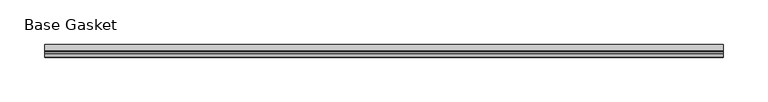
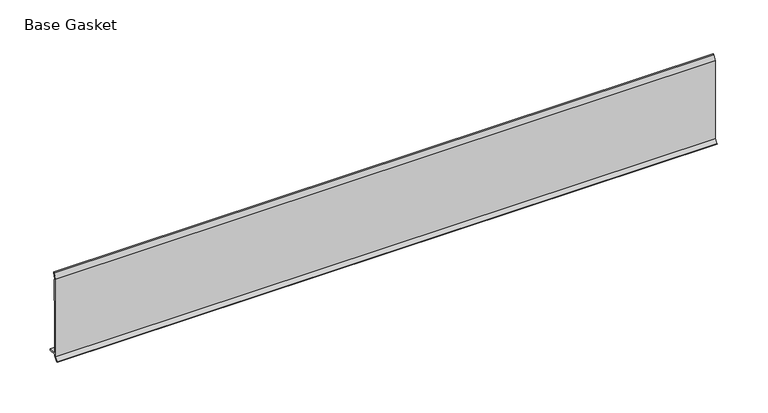
"""IFC4 building model written with IfcOpenShell, lengths in millimetres: furniture geometry, Base Gasket."""

from ifc_helpers import new_model, si_unit, frame, origin, place, context, project, spatial, polyline, outline, extrude, source, transform, mapped, element, save


def base_gasket_e8adc1d1(model_context):
    return source(origin(), model_context, "Body", "SweptSolid", [
        extrude(outline(polyline([(-3.7283812, 98.4568417), (-1.1891543, 104.587663), (-0.6755308, 105.2002997), (-0.6755308, 104.4162708), (-2.2043812, 98.4568417), (-2.2043812, 96.8693477), (-1.4106313, 96.8693477), (-1.4106313, 71.4693447), (-2.2043812, 71.4693447), (-2.2043812, 7.9398773), (6.2405171, 7.9398773), (6.2405171, 6.3818476), (-2.1334222, 6.3818476), (-2.2043812, 4.3498477), (-6.8281054, 0.3520979), (-7.8482342, 0.0), (-7.4222115, 0.6560174), (-3.7283812, 4.3498477), (-3.7283812, 98.4568417)])), frame((-1527.8982117, 0.0, 0.0), z_axis=(1.0, 0.0, 0.0), x_axis=(0.0, 1.0, 0.0)), (0.0, 0.0, 1.0), 756.2017997),
    ])


if __name__ == "__main__":
    model = new_model("IFC4")
    model_context = context("Model", 3, world=origin())
    ifc_project = project(units=[si_unit("LENGTHUNIT", "METRE", prefix="MILLI")], contexts=[model_context])
    site = spatial("IfcSite", under=ifc_project)
    building = spatial("IfcBuilding", under=site)
    placement = place(None, origin())
    base_gasket_shape = base_gasket_e8adc1d1(model_context)
    element("IfcFurniture", 1, ObjectType="Base Gasket", at=placement, inside=building, context=model_context, shape_type="MappedRepresentation", body=[
        mapped(base_gasket_shape, transform((0.0, 0.0, 0.0), x_axis=(1.0, 0.0, 0.0), y_axis=(0.0, 1.0, 0.0), z_axis=(0.0, 0.0, 1.0))),
    ])
    save(model, "model.ifc")
